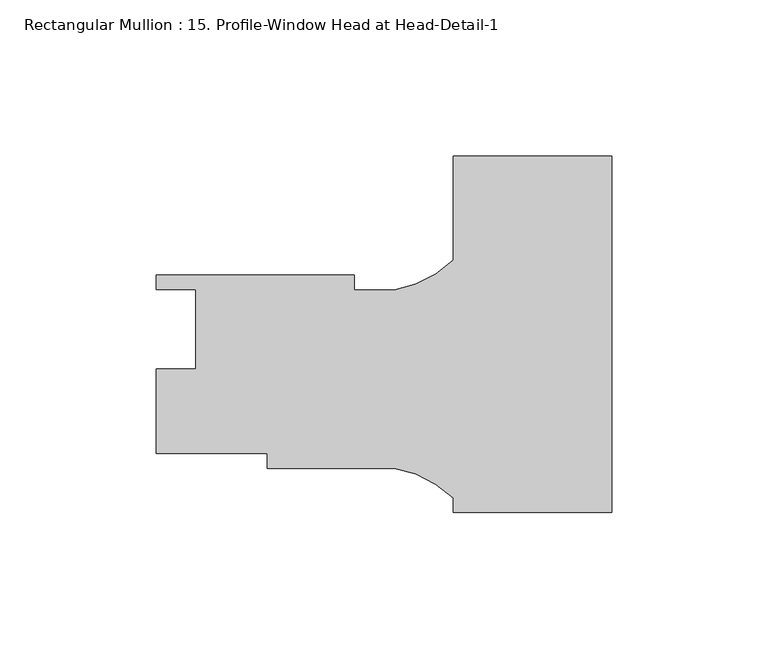
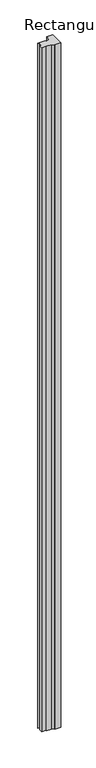
"""IFC4 building model written with IfcOpenShell, lengths in millimetres: member geometry, Rectangular Mullion : 15. Profile-Window Head at Head-Detail-1."""

from ifc_helpers import new_model, si_unit, point, frame, frame_2d, origin, place, context, project, spatial, polyline, circle_curve, trimmed, segment, composite_curve, outline, extrude, source, transform, mapped, element, save


def rectangular_mullion_15_profile_window_head_at_head_detail_1_e99f1f57(model_context):
    return source(origin(), model_context, "Body", "SweptSolid", [
        extrude(outline(composite_curve([segment(polyline([(0.0, -57.1434278), (-50.8, -57.1434278), (-50.8, -52.4703398)]), True, "CONTINUOUS"), segment(trimmed(circle_curve(frame_2d((-76.1593001, -79.3385221)), 36.945816), [point((-50.8, -52.4703398))], [point((-69.7922855, -42.9454671))], True, "CARTESIAN"), True, "CONTINUOUS"), segment(polyline([(-69.7922855, -42.9454671), (-110.4500517, -42.9454671), (-110.4500517, -38.1829671), (-146.05, -38.1829671), (-146.05, -11.1319671), (-133.35, -11.1319671), (-133.35, 14.2680329), (-146.05, 14.2680329), (-146.05, 18.9670329), (-82.55, 18.9670329), (-82.55, 14.2045329), (-69.7937361, 14.2045329)]), True, "CONTINUOUS"), segment(trimmed(circle_curve(frame_2d((-76.1593001, 50.5978415)), 36.945816), [point((-69.7937361, 14.2045329))], [point((-50.8, 23.7296592))], True, "CARTESIAN"), True, "CONTINUOUS"), segment(polyline([(-50.8, 23.7296592), (-50.8, 57.1565722), (0.0, 57.1565723), (0.0, -57.1434278)]), True, "CONTINUOUS")], self_intersect=False)), frame((0.0, 0.0, -5918.2), z_axis=(0.0, 0.0, 1.0), x_axis=(1.0, 0.0, 0.0)), (0.0, 0.0, 1.0), 5918.2),
    ])


if __name__ == "__main__":
    model = new_model("IFC4")
    model_context = context("Model", 3, world=origin())
    ifc_project = project(units=[si_unit("LENGTHUNIT", "METRE", prefix="MILLI")], contexts=[model_context])
    site = spatial("IfcSite", under=ifc_project)
    building = spatial("IfcBuilding", under=site)
    placement = place(None, origin())
    rectangular_mullion_15_profile_window_head_at_head_detail_1_shape = rectangular_mullion_15_profile_window_head_at_head_detail_1_e99f1f57(model_context)
    element("IfcMember", 1, ObjectType="Rectangular Mullion : 15. Profile-Window Head at Head-Detail-1", at=placement, inside=building, context=model_context, shape_type="MappedRepresentation", body=[
        mapped(rectangular_mullion_15_profile_window_head_at_head_detail_1_shape, transform((0.0, 0.0, 0.0), x_axis=(1.0, 0.0, 0.0), y_axis=(0.0, 1.0, 0.0), z_axis=(0.0, 0.0, 1.0))),
    ])
    save(model, "model.ifc")
